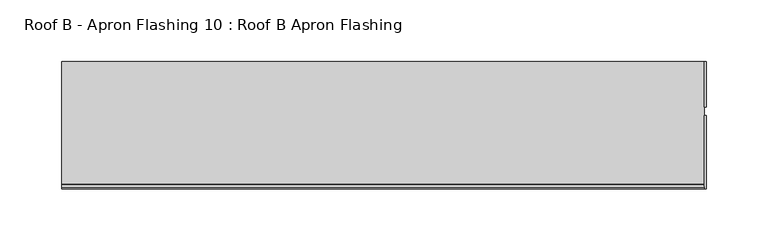
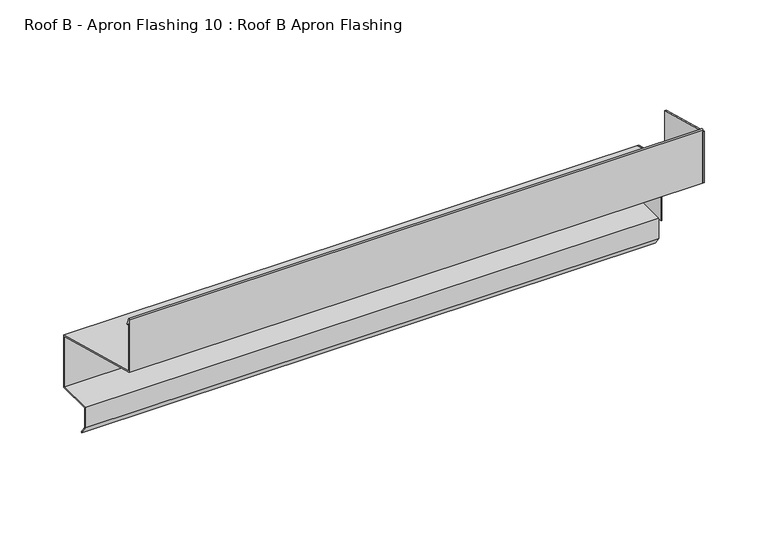
"""IFC4 building model written with IfcOpenShell, lengths in millimetres: proxy geometry, Roof B - Apron Flashing 10 : Roof B Apron Flashing."""

from ifc_helpers import new_model, si_unit, point, frame, frame_2d, origin, place, context, project, spatial, polyline, circle_curve, trimmed, segment, composite_curve, outline, extrude, source, transform, mapped, element, save


def roof_b_apron_flashing_10_roof_b_apron_flashing_ddb51fd9(model_context):
    return source(origin(), model_context, "Body", "SweptSolid", [
        extrude(outline(polyline([(660.2773132, -392.0096237), (623.6523812, -392.0096237), (623.6523812, -332.1960028), (660.2773132, -342.0096237), (660.2773132, -392.0096237)])), frame((9686.0219031, 0.0, 0.0), z_axis=(1.0, 0.0, 0.0), x_axis=(0.0, 1.0, 0.0)), (0.0, 0.0, 1.0), 1.3240587),
        extrude(outline(polyline([(616.7382944, -282.1107058), (616.7382944, -331.378655), (557.4043312, -315.4801674), (557.4043312, -266.2122183), (616.7382944, -282.1107058)])), frame((9686.0219031, 0.0, 0.0), z_axis=(1.0, 0.0, 0.0), x_axis=(0.0, 1.0, 0.0)), (0.0, 0.0, 1.0), 1.3240587),
        extrude(outline(composite_curve([segment(polyline([(660.2773132, -342.0096237), (660.2773132, -392.0096237), (627.6739483, -392.0096237), (627.6739483, -410.3959053), (632.884848, -417.8378413), (632.065696, -418.4114178), (626.6739483, -410.7112041), (626.6739483, -391.0096237), (659.2773132, -391.0096237), (659.2773132, -342.7769507), (557.4043312, -315.4801674), (557.4043312, -264.8977528)]), True, "CONTINUOUS"), segment(trimmed(circle_curve(frame_2d((558.0833754, -264.8977528)), 0.6790442), [point((557.4043312, -264.8977528))], [point((558.7129742, -264.6433784))], False, "CARTESIAN"), True, "CONTINUOUS"), segment(polyline([(558.7129742, -264.6433784), (561.1274291, -270.6193639)]), True, "CONTINUOUS"), segment(trimmed(circle_curve(frame_2d((560.6638371, -270.8066672)), 0.5), [point((561.1274291, -270.6193639))], [point((560.2002452, -270.9939705))], False, "CARTESIAN"), True, "CONTINUOUS"), segment(polyline([(560.2002452, -270.9939705), (558.4043312, -266.5489273), (558.4043312, -314.7128405), (660.2773132, -342.0096237)]), True, "CONTINUOUS")], self_intersect=False)), frame((9166.9913177, 0.0, 0.0), z_axis=(1.0, 0.0, 0.0), x_axis=(0.0, 1.0, 0.0)), (0.0, 0.0, 1.0), 519.0305854),
    ])


if __name__ == "__main__":
    model = new_model("IFC4")
    model_context = context("Model", 3, world=origin())
    ifc_project = project(units=[si_unit("LENGTHUNIT", "METRE", prefix="MILLI")], contexts=[model_context])
    site = spatial("IfcSite", under=ifc_project)
    building = spatial("IfcBuilding", under=site)
    placement = place(None, origin())
    roof_b_apron_flashing_10_roof_b_apron_flashing_shape = roof_b_apron_flashing_10_roof_b_apron_flashing_ddb51fd9(model_context)
    element("IfcBuildingElementProxy", 1, Name="Roof B - Apron Flashing 10 : Roof B Apron Flashing", ObjectType="Roof B - Apron Flashing 10 : Roof B Apron Flashing", at=placement, inside=building, context=model_context, shape_type="MappedRepresentation", body=[
        mapped(roof_b_apron_flashing_10_roof_b_apron_flashing_shape, transform((0.0, 0.0, 0.0), x_axis=(1.0, 0.0, 0.0), y_axis=(0.0, 1.0, 0.0), z_axis=(0.0, 0.0, 1.0))),
    ])
    save(model, "model.ifc")
